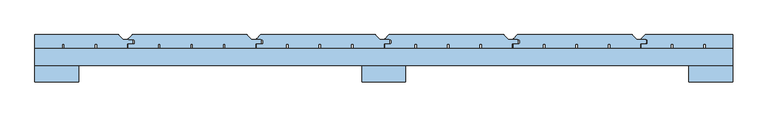
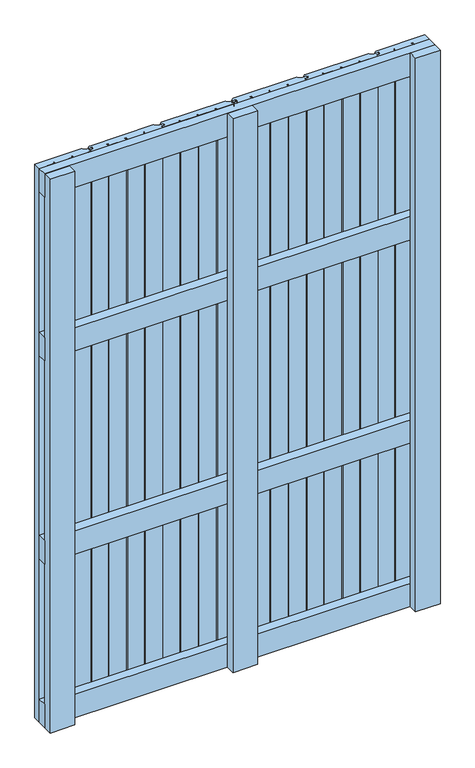
"""IFC4 building model written with IfcOpenShell, lengths in millimetres: window geometry."""

from ifc_helpers import new_model, si_unit, point, frame, frame_2d, origin, place, context, project, spatial, polyline, circle_curve, trimmed, segment, composite_curve, outline, extrude, source, transform, mapped, element, save


def window_84143554(model_context):
    return source(origin(), model_context, "Body", "SweptSolid", [
        extrude(outline(polyline([(500.0, 30.0), (500.0, 6.0), (-500.0, 6.0), (-500.0, 30.0), (500.0, 30.0)])), frame((0.0, 0.0, 1093.5), z_axis=(0.0, 0.0, 1.0), x_axis=(1.0, 0.0, 0.0)), (0.0, 0.0, 1.0), 63.0),
        extrude(outline(polyline([(500.0, 30.0), (500.0, 6.0), (-500.0, 6.0), (-500.0, 30.0), (500.0, 30.0)])), frame((0.0, 0.0, 543.5), z_axis=(0.0, 0.0, 1.0), x_axis=(1.0, 0.0, 0.0)), (0.0, 0.0, 1.0), 63.0),
        extrude(outline(polyline([(500.0, 30.0), (500.0, 6.0), (-500.0, 6.0), (-500.0, 30.0), (500.0, 30.0)])), frame((0.0, 0.0, 1537.0), z_axis=(0.0, 0.0, 1.0), x_axis=(1.0, 0.0, 0.0)), (0.0, 0.0, 1.0), 63.0),
        extrude(outline(polyline([(500.0, 30.0), (500.0, 6.0), (-500.0, 6.0), (-500.0, 30.0), (500.0, 30.0)])), frame((0.0, 0.0, 100.0), z_axis=(0.0, 0.0, 1.0), x_axis=(1.0, 0.0, 0.0)), (0.0, 0.0, 1.0), 63.0),
        extrude(outline(composite_curve([segment(polyline([(-365.0521218, 36.5), (-358.5521218, 36.5)]), True, "CONTINUOUS"), segment(trimmed(circle_curve(frame_2d((-358.5521218, 38.0)), 1.5), [point((-358.5521218, 36.5))], [point((-357.0521218, 38.0))], True, "CARTESIAN"), True, "CONTINUOUS"), segment(polyline([(-357.0521218, 38.0), (-357.0521218, 41.5)]), True, "CONTINUOUS"), segment(trimmed(circle_curve(frame_2d((-358.5521218, 41.5)), 1.5), [point((-357.0521218, 41.5))], [point((-358.5521218, 43.0))], True, "CARTESIAN"), True, "CONTINUOUS"), segment(polyline([(-358.5521218, 43.0), (-365.0521218, 43.0)]), True, "CONTINUOUS"), segment(trimmed(circle_curve(frame_2d((-365.0521218, 44.0)), 1.0), [point((-365.0521218, 43.0))], [point((-365.7592286, 44.7071068))], False, "CARTESIAN"), True, "CONTINUOUS"), segment(polyline([(-365.7592286, 44.7071068), (-360.9056752, 49.5606602)]), True, "CONTINUOUS"), segment(trimmed(circle_curve(frame_2d((-359.845015, 48.5)), 1.5), [point((-360.9056752, 49.5606602))], [point((-359.845015, 50.0))], False, "CARTESIAN"), True, "CONTINUOUS"), segment(polyline([(-359.845015, 50.0), (-196.6213203, 50.0)]), True, "CONTINUOUS"), segment(trimmed(circle_curve(frame_2d((-196.6213203, 48.5)), 1.5), [point((-196.6213203, 50.0))], [point((-195.5606602, 49.5606602))], False, "CARTESIAN"), True, "CONTINUOUS"), segment(polyline([(-195.5606602, 49.5606602), (-189.2928932, 43.2928932)]), True, "CONTINUOUS"), segment(trimmed(circle_curve(frame_2d((-188.5857864, 44.0)), 1.0), [point((-189.2928932, 43.2928932))], [point((-188.5857864, 43.0))], True, "CARTESIAN"), True, "CONTINUOUS"), segment(polyline([(-188.5857864, 43.0), (-177.5, 43.0)]), True, "CONTINUOUS"), segment(trimmed(circle_curve(frame_2d((-177.5, 41.5)), 1.5), [point((-177.5, 43.0))], [point((-176.0, 41.5))], False, "CARTESIAN"), True, "CONTINUOUS"), segment(polyline([(-176.0, 41.5), (-176.0, 38.5)]), True, "CONTINUOUS"), segment(trimmed(circle_curve(frame_2d((-177.5, 38.5)), 1.5), [point((-176.0, 38.5))], [point((-177.5, 37.0))], False, "CARTESIAN"), True, "CONTINUOUS"), segment(polyline([(-177.5, 37.0), (-184.0, 37.0), (-184.0, 30.5), (-227.0610702, 30.5), (-227.0610702, 36.5), (-230.5610702, 36.5), (-230.5610702, 30.5), (-273.6221403, 30.5), (-273.6221403, 36.5), (-277.1221403, 36.5), (-277.1221403, 30.5), (-320.1832105, 30.5), (-320.1832105, 36.5), (-323.6832105, 36.5), (-323.6832105, 30.5), (-366.0521218, 30.5), (-366.0521218, 35.5)]), True, "CONTINUOUS"), segment(trimmed(circle_curve(frame_2d((-365.0521218, 35.5)), 1.0), [point((-366.0521218, 35.5))], [point((-365.0521218, 36.5))], False, "CARTESIAN"), True, "CONTINUOUS")], self_intersect=False)), frame((0.0, 0.0, 100.0), z_axis=(0.0, 0.0, 1.0), x_axis=(1.0, 0.0, 0.0)), (0.0, 0.0, 1.0), 1500.0),
        extrude(outline(composite_curve([segment(polyline([(-181.0521218, 36.5), (-174.5521218, 36.5)]), True, "CONTINUOUS"), segment(trimmed(circle_curve(frame_2d((-174.5521218, 38.0)), 1.5), [point((-174.5521218, 36.5))], [point((-173.0521218, 38.0))], True, "CARTESIAN"), True, "CONTINUOUS"), segment(polyline([(-173.0521218, 38.0), (-173.0521218, 41.5)]), True, "CONTINUOUS"), segment(trimmed(circle_curve(frame_2d((-174.5521218, 41.5)), 1.5), [point((-173.0521218, 41.5))], [point((-174.5521218, 43.0))], True, "CARTESIAN"), True, "CONTINUOUS"), segment(polyline([(-174.5521218, 43.0), (-181.0521218, 43.0)]), True, "CONTINUOUS"), segment(trimmed(circle_curve(frame_2d((-181.0521218, 44.0)), 1.0), [point((-181.0521218, 43.0))], [point((-181.7592286, 44.7071068))], False, "CARTESIAN"), True, "CONTINUOUS"), segment(polyline([(-181.7592286, 44.7071068), (-176.9056752, 49.5606602)]), True, "CONTINUOUS"), segment(trimmed(circle_curve(frame_2d((-175.845015, 48.5)), 1.5), [point((-176.9056752, 49.5606602))], [point((-175.845015, 50.0))], False, "CARTESIAN"), True, "CONTINUOUS"), segment(polyline([(-175.845015, 50.0), (-12.6213203, 50.0)]), True, "CONTINUOUS"), segment(trimmed(circle_curve(frame_2d((-12.6213203, 48.5)), 1.5), [point((-12.6213203, 50.0))], [point((-11.5606602, 49.5606602))], False, "CARTESIAN"), True, "CONTINUOUS"), segment(polyline([(-11.5606602, 49.5606602), (-5.2928932, 43.2928932)]), True, "CONTINUOUS"), segment(trimmed(circle_curve(frame_2d((-4.5857864, 44.0)), 1.0), [point((-5.2928932, 43.2928932))], [point((-4.5857864, 43.0))], True, "CARTESIAN"), True, "CONTINUOUS"), segment(polyline([(-4.5857864, 43.0), (6.5, 43.0)]), True, "CONTINUOUS"), segment(trimmed(circle_curve(frame_2d((6.5, 41.5)), 1.5), [point((6.5, 43.0))], [point((8.0, 41.5))], False, "CARTESIAN"), True, "CONTINUOUS"), segment(polyline([(8.0, 41.5), (8.0, 38.5)]), True, "CONTINUOUS"), segment(trimmed(circle_curve(frame_2d((6.5, 38.5)), 1.5), [point((8.0, 38.5))], [point((6.5, 37.0))], False, "CARTESIAN"), True, "CONTINUOUS"), segment(polyline([(6.5, 37.0), (0.0, 37.0), (0.0, 30.5), (-43.0610702, 30.5), (-43.0610702, 36.5), (-46.5610702, 36.5), (-46.5610702, 30.5), (-89.6221403, 30.5), (-89.6221403, 36.5), (-93.1221403, 36.5), (-93.1221403, 30.5), (-136.1832105, 30.5), (-136.1832105, 36.5), (-139.6832105, 36.5), (-139.6832105, 30.5), (-182.0521218, 30.5), (-182.0521218, 35.5)]), True, "CONTINUOUS"), segment(trimmed(circle_curve(frame_2d((-181.0521218, 35.5)), 1.0), [point((-182.0521218, 35.5))], [point((-181.0521218, 36.5))], False, "CARTESIAN"), True, "CONTINUOUS")], self_intersect=False)), frame((0.0, 0.0, 100.0), z_axis=(0.0, 0.0, 1.0), x_axis=(1.0, 0.0, 0.0)), (0.0, 0.0, 1.0), 1500.0),
        extrude(outline(composite_curve([segment(polyline([(2.9478782, 36.5), (9.4478782, 36.5)]), True, "CONTINUOUS"), segment(trimmed(circle_curve(frame_2d((9.4478782, 38.0)), 1.5), [point((9.4478782, 36.5))], [point((10.9478782, 38.0))], True, "CARTESIAN"), True, "CONTINUOUS"), segment(polyline([(10.9478782, 38.0), (10.9478782, 41.5)]), True, "CONTINUOUS"), segment(trimmed(circle_curve(frame_2d((9.4478782, 41.5)), 1.5), [point((10.9478782, 41.5))], [point((9.4478782, 43.0))], True, "CARTESIAN"), True, "CONTINUOUS"), segment(polyline([(9.4478782, 43.0), (2.9478782, 43.0)]), True, "CONTINUOUS"), segment(trimmed(circle_curve(frame_2d((2.9478782, 44.0)), 1.0), [point((2.9478782, 43.0))], [point((2.2407714, 44.7071068))], False, "CARTESIAN"), True, "CONTINUOUS"), segment(polyline([(2.2407714, 44.7071068), (7.0943248, 49.5606602)]), True, "CONTINUOUS"), segment(trimmed(circle_curve(frame_2d((8.154985, 48.5)), 1.5), [point((7.0943248, 49.5606602))], [point((8.154985, 50.0))], False, "CARTESIAN"), True, "CONTINUOUS"), segment(polyline([(8.154985, 50.0), (171.3786797, 50.0)]), True, "CONTINUOUS"), segment(trimmed(circle_curve(frame_2d((171.3786797, 48.5)), 1.5), [point((171.3786797, 50.0))], [point((172.4393398, 49.5606602))], False, "CARTESIAN"), True, "CONTINUOUS"), segment(polyline([(172.4393398, 49.5606602), (178.7071068, 43.2928932)]), True, "CONTINUOUS"), segment(trimmed(circle_curve(frame_2d((179.4142136, 44.0)), 1.0), [point((178.7071068, 43.2928932))], [point((179.4142136, 43.0))], True, "CARTESIAN"), True, "CONTINUOUS"), segment(polyline([(179.4142136, 43.0), (190.5, 43.0)]), True, "CONTINUOUS"), segment(trimmed(circle_curve(frame_2d((190.5, 41.5)), 1.5), [point((190.5, 43.0))], [point((192.0, 41.5))], False, "CARTESIAN"), True, "CONTINUOUS"), segment(polyline([(192.0, 41.5), (192.0, 38.5)]), True, "CONTINUOUS"), segment(trimmed(circle_curve(frame_2d((190.5, 38.5)), 1.5), [point((192.0, 38.5))], [point((190.5, 37.0))], False, "CARTESIAN"), True, "CONTINUOUS"), segment(polyline([(190.5, 37.0), (184.0, 37.0), (184.0, 30.5), (140.9389298, 30.5), (140.9389298, 36.5), (137.4389298, 36.5), (137.4389298, 30.5), (94.3778597, 30.5), (94.3778597, 36.5), (90.8778597, 36.5), (90.8778597, 30.5), (47.8167895, 30.5), (47.8167895, 36.5), (44.3167895, 36.5), (44.3167895, 30.5), (1.9478782, 30.5), (1.9478782, 35.5)]), True, "CONTINUOUS"), segment(trimmed(circle_curve(frame_2d((2.9478782, 35.5)), 1.0), [point((1.9478782, 35.5))], [point((2.9478782, 36.5))], False, "CARTESIAN"), True, "CONTINUOUS")], self_intersect=False)), frame((0.0, 0.0, 100.0), z_axis=(0.0, 0.0, 1.0), x_axis=(1.0, 0.0, 0.0)), (0.0, 0.0, 1.0), 1500.0),
        extrude(outline(composite_curve([segment(polyline([(186.9478782, 36.5), (193.4478782, 36.5)]), True, "CONTINUOUS"), segment(trimmed(circle_curve(frame_2d((193.4478782, 38.0)), 1.5), [point((193.4478782, 36.5))], [point((194.9478782, 38.0))], True, "CARTESIAN"), True, "CONTINUOUS"), segment(polyline([(194.9478782, 38.0), (194.9478782, 41.5)]), True, "CONTINUOUS"), segment(trimmed(circle_curve(frame_2d((193.4478782, 41.5)), 1.5), [point((194.9478782, 41.5))], [point((193.4478782, 43.0))], True, "CARTESIAN"), True, "CONTINUOUS"), segment(polyline([(193.4478782, 43.0), (186.9478782, 43.0)]), True, "CONTINUOUS"), segment(trimmed(circle_curve(frame_2d((186.9478782, 44.0)), 1.0), [point((186.9478782, 43.0))], [point((186.2407714, 44.7071068))], False, "CARTESIAN"), True, "CONTINUOUS"), segment(polyline([(186.2407714, 44.7071068), (191.0943248, 49.5606602)]), True, "CONTINUOUS"), segment(trimmed(circle_curve(frame_2d((192.154985, 48.5)), 1.5), [point((191.0943248, 49.5606602))], [point((192.154985, 50.0))], False, "CARTESIAN"), True, "CONTINUOUS"), segment(polyline([(192.154985, 50.0), (355.3786797, 50.0)]), True, "CONTINUOUS"), segment(trimmed(circle_curve(frame_2d((355.3786797, 48.5)), 1.5), [point((355.3786797, 50.0))], [point((356.4393398, 49.5606602))], False, "CARTESIAN"), True, "CONTINUOUS"), segment(polyline([(356.4393398, 49.5606602), (362.7071068, 43.2928932)]), True, "CONTINUOUS"), segment(trimmed(circle_curve(frame_2d((363.4142136, 44.0)), 1.0), [point((362.7071068, 43.2928932))], [point((363.4142136, 43.0))], True, "CARTESIAN"), True, "CONTINUOUS"), segment(polyline([(363.4142136, 43.0), (374.5, 43.0)]), True, "CONTINUOUS"), segment(trimmed(circle_curve(frame_2d((374.5, 41.5)), 1.5), [point((374.5, 43.0))], [point((376.0, 41.5))], False, "CARTESIAN"), True, "CONTINUOUS"), segment(polyline([(376.0, 41.5), (376.0, 38.5)]), True, "CONTINUOUS"), segment(trimmed(circle_curve(frame_2d((374.5, 38.5)), 1.5), [point((376.0, 38.5))], [point((374.5, 37.0))], False, "CARTESIAN"), True, "CONTINUOUS"), segment(polyline([(374.5, 37.0), (368.0, 37.0), (368.0, 30.5), (324.9389298, 30.5), (324.9389298, 36.5), (321.4389298, 36.5), (321.4389298, 30.5), (278.3778597, 30.5), (278.3778597, 36.5), (274.8778597, 36.5), (274.8778597, 30.5), (231.8167895, 30.5), (231.8167895, 36.5), (228.3167895, 36.5), (228.3167895, 30.5), (185.9478782, 30.5), (185.9478782, 35.5)]), True, "CONTINUOUS"), segment(trimmed(circle_curve(frame_2d((186.9478782, 35.5)), 1.0), [point((185.9478782, 35.5))], [point((186.9478782, 36.5))], False, "CARTESIAN"), True, "CONTINUOUS")], self_intersect=False)), frame((0.0, 0.0, 100.0), z_axis=(0.0, 0.0, 1.0), x_axis=(1.0, 0.0, 0.0)), (0.0, 0.0, 1.0), 1500.0),
        extrude(outline(composite_curve([segment(polyline([(-379.5606602, 49.5606602), (-373.2928932, 43.2928932)]), True, "CONTINUOUS"), segment(trimmed(circle_curve(frame_2d((-372.5857864, 44.0)), 1.0), [point((-373.2928932, 43.2928932))], [point((-372.5857864, 43.0))], True, "CARTESIAN"), True, "CONTINUOUS"), segment(polyline([(-372.5857864, 43.0), (-361.5, 43.0)]), True, "CONTINUOUS"), segment(trimmed(circle_curve(frame_2d((-361.5, 41.5)), 1.5), [point((-361.5, 43.0))], [point((-360.0, 41.5))], False, "CARTESIAN"), True, "CONTINUOUS"), segment(polyline([(-360.0, 41.5), (-360.0, 38.5)]), True, "CONTINUOUS"), segment(trimmed(circle_curve(frame_2d((-361.5, 38.5)), 1.5), [point((-360.0, 38.5))], [point((-361.5, 37.0))], False, "CARTESIAN"), True, "CONTINUOUS"), segment(polyline([(-361.5, 37.0), (-368.0, 37.0), (-368.0, 30.5), (-411.0610702, 30.5), (-411.0610702, 36.5), (-414.5610702, 36.5), (-414.5610702, 30.5), (-457.6221403, 30.5), (-457.6221403, 36.5), (-461.1221403, 36.5), (-461.1221403, 30.5), (-500.0, 30.5), (-500.0, 50.0), (-380.6213203, 50.0)]), True, "CONTINUOUS"), segment(trimmed(circle_curve(frame_2d((-380.6213203, 48.5)), 1.5), [point((-380.6213203, 50.0))], [point((-379.5606602, 49.5606602))], False, "CARTESIAN"), True, "CONTINUOUS")], self_intersect=False)), frame((0.0, 0.0, 100.0), z_axis=(0.0, 0.0, 1.0), x_axis=(1.0, 0.0, 0.0)), (0.0, 0.0, 1.0), 1500.0),
        extrude(outline(composite_curve([segment(polyline([(370.0, 36.5), (376.5, 36.5)]), True, "CONTINUOUS"), segment(trimmed(circle_curve(frame_2d((376.5, 38.0)), 1.5), [point((376.5, 36.5))], [point((378.0, 38.0))], True, "CARTESIAN"), True, "CONTINUOUS"), segment(polyline([(378.0, 38.0), (378.0, 41.5)]), True, "CONTINUOUS"), segment(trimmed(circle_curve(frame_2d((376.5, 41.5)), 1.5), [point((378.0, 41.5))], [point((376.5, 43.0))], True, "CARTESIAN"), True, "CONTINUOUS"), segment(polyline([(376.5, 43.0), (370.0, 43.0)]), True, "CONTINUOUS"), segment(trimmed(circle_curve(frame_2d((370.0, 44.0)), 1.0), [point((370.0, 43.0))], [point((369.2928932, 44.7071068))], False, "CARTESIAN"), True, "CONTINUOUS"), segment(polyline([(369.2928932, 44.7071068), (374.1464466, 49.5606602)]), True, "CONTINUOUS"), segment(trimmed(circle_curve(frame_2d((375.2071068, 48.5)), 1.5), [point((374.1464466, 49.5606602))], [point((375.2071068, 50.0))], False, "CARTESIAN"), True, "CONTINUOUS"), segment(polyline([(375.2071068, 50.0), (500.0, 50.0), (500.0, 30.5), (461.4299815, 30.5), (461.4299815, 36.5), (457.9299815, 36.5), (457.9299815, 30.5), (414.8689113, 30.5), (414.8689113, 36.5), (411.3689113, 36.5), (411.3689113, 30.5), (369.0, 30.5), (369.0, 35.5)]), True, "CONTINUOUS"), segment(trimmed(circle_curve(frame_2d((370.0, 35.5)), 1.0), [point((369.0, 35.5))], [point((370.0, 36.5))], False, "CARTESIAN"), True, "CONTINUOUS")], self_intersect=False)), frame((0.0, 0.0, 100.0), z_axis=(0.0, 0.0, 1.0), x_axis=(1.0, 0.0, 0.0)), (0.0, 0.0, 1.0), 1500.0),
        extrude(outline(polyline([(-31.5, 6.1), (31.5, 6.1), (31.5, -17.9), (-31.5, -17.9), (-31.5, 6.1)])), frame((0.0, 0.0, 100.0), z_axis=(0.0, 0.0, 1.0), x_axis=(1.0, 0.0, 0.0)), (0.0, 0.0, 1.0), 1500.0),
        extrude(outline(polyline([(-500.0, 6.0), (-437.0, 6.0), (-437.0, -18.0), (-500.0, -18.0), (-500.0, 6.0)])), frame((0.0, 0.0, 100.0), z_axis=(0.0, 0.0, 1.0), x_axis=(1.0, 0.0, 0.0)), (0.0, 0.0, 1.0), 1500.0),
        extrude(outline(polyline([(437.0, 6.0), (500.0, 6.0), (500.0, -18.0), (437.0, -18.0), (437.0, 6.0)])), frame((0.0, 0.0, 100.0), z_axis=(0.0, 0.0, 1.0), x_axis=(1.0, 0.0, 0.0)), (0.0, 0.0, 1.0), 1500.0),
    ])


if __name__ == "__main__":
    model = new_model("IFC4")
    model_context = context("Model", 3, world=origin())
    ifc_project = project(units=[si_unit("LENGTHUNIT", "METRE", prefix="MILLI")], contexts=[model_context])
    site = spatial("IfcSite", under=ifc_project)
    building = spatial("IfcBuilding", under=site)
    placement = place(None, origin())
    window_shape = window_84143554(model_context)
    element("IfcWindow", 1, at=placement, inside=building, context=model_context, shape_type="MappedRepresentation", body=[
        mapped(window_shape, transform((0.0, 0.0, 0.0), x_axis=(1.0, 0.0, 0.0), y_axis=(0.0, 1.0, 0.0), z_axis=(0.0, 0.0, 1.0))),
    ])
    save(model, "model.ifc")
